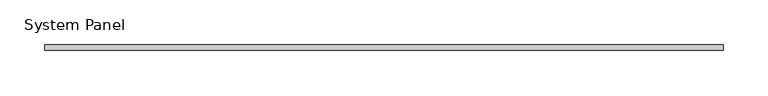
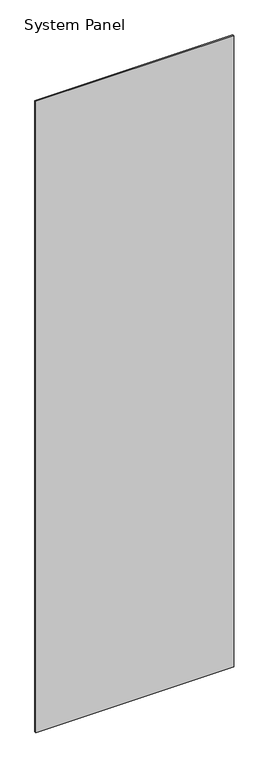
"""IFC4 building model written with IfcOpenShell, lengths in millimetres: plate geometry, System Panel."""

from ifc_helpers import new_model, si_unit, origin, origin_with_axes, place, context, project, spatial, polyline, outline, extrude, source, transform, mapped, element, save


def system_panel_dcbc450a(model_context):
    return source(origin(), model_context, "Body", "SweptSolid", [
        extrude(outline(polyline([(376.7, -3.0), (-376.7, -3.0), (-376.7, 3.0), (376.7, 3.0), (376.7, -3.0)])), origin_with_axes(), (0.0, 0.0, 1.0), 2540.0),
    ])


if __name__ == "__main__":
    model = new_model("IFC4")
    model_context = context("Model", 3, world=origin())
    ifc_project = project(units=[si_unit("LENGTHUNIT", "METRE", prefix="MILLI")], contexts=[model_context])
    site = spatial("IfcSite", under=ifc_project)
    building = spatial("IfcBuilding", under=site)
    placement = place(None, origin())
    system_panel_shape = system_panel_dcbc450a(model_context)
    element("IfcPlate", 1, ObjectType="System Panel", at=placement, inside=building, context=model_context, shape_type="MappedRepresentation", body=[
        mapped(system_panel_shape, transform((0.0, 0.0, 0.0), x_axis=(1.0, 0.0, 0.0), y_axis=(0.0, 1.0, 0.0), z_axis=(0.0, 0.0, 1.0))),
    ])
    save(model, "model.ifc")
